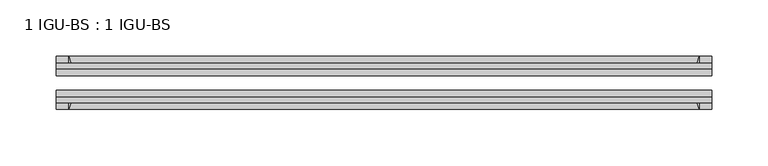
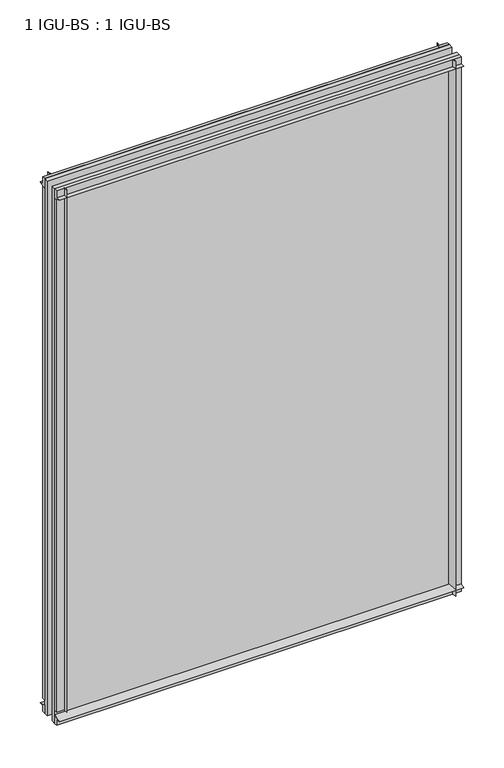
"""IFC4 building model written with IfcOpenShell, lengths in millimetres: plate geometry, 1 IGU-BS : 1 IGU-BS."""

from ifc_helpers import new_model, si_unit, point, frame, frame_2d, origin, origin_with_axes, place, context, project, spatial, polyline, circle_curve, trimmed, segment, composite_curve, outline, extrude, source, transform, mapped, element, save


def plate_1_igu_bs_1_igu_bs_e19e6f71(model_context):
    return source(origin(), model_context, "Body", "SweptSolid", [
        extrude(outline(composite_curve([segment(polyline([(-109.8637312, 800.9128), (-103.8947312, 800.9128), (-103.8947312, 812.0253), (-99.1195312, 812.0253), (-99.1195312, 797.0149095)]), True, "CONTINUOUS"), segment(trimmed(circle_curve(frame_2d((-115.4953516, 768.6330461)), 32.7673262), [point((-99.1195312, 797.0149095))], [point((-109.8637312, 800.9128))], True, "CARTESIAN"), True, "CONTINUOUS")], self_intersect=False)), frame((-290.5125, 0.0, 0.0), z_axis=(1.0, 0.0, 0.0), x_axis=(0.0, 1.0, 0.0)), (0.0, 0.0, 1.0), 581.025),
        extrude(outline(composite_curve([segment(polyline([(-73.7195312, 797.0149095), (-73.7195312, 812.0253), (-68.9443312, 812.0253), (-68.9443312, 800.9128), (-62.9753315, 800.9128)]), True, "CONTINUOUS"), segment(trimmed(circle_curve(frame_2d((-57.3437109, 768.6330461)), 32.7673262), [point((-62.9753315, 800.9128))], [point((-73.7195312, 797.0149095))], True, "CARTESIAN"), True, "CONTINUOUS")], self_intersect=False)), frame((-290.5125, 0.0, 0.0), z_axis=(1.0, 0.0, 0.0), x_axis=(0.0, 1.0, 0.0)), (0.0, 0.0, 1.0), 581.025),
        extrude(outline(composite_curve([segment(polyline([(-103.8947312, 0.0), (-103.8947312, 9.5265381), (-109.8637315, 9.5265381)]), True, "CONTINUOUS"), segment(trimmed(circle_curve(frame_2d((-115.5567965, 42.1919217)), 33.1577785), [point((-109.8637315, 9.5265381))], [point((-99.1195312, 13.3951409))], True, "CARTESIAN"), True, "CONTINUOUS"), segment(polyline([(-99.1195312, 13.3951409), (-99.1195312, 0.0), (-103.8947312, 0.0)]), True, "CONTINUOUS")], self_intersect=False)), frame((-290.5125, 0.0, 0.0), z_axis=(1.0, 0.0, 0.0), x_axis=(0.0, 1.0, 0.0)), (0.0, 0.0, 1.0), 581.025),
        extrude(outline(composite_curve([segment(polyline([(-68.9443312, 0.0), (-73.7195312, 0.0), (-73.7195312, 13.4228906)]), True, "CONTINUOUS"), segment(trimmed(circle_curve(frame_2d((-57.3437109, 41.804754)), 32.7673262), [point((-73.7195312, 13.4228906))], [point((-62.9841404, 9.5265381))], True, "CARTESIAN"), True, "CONTINUOUS"), segment(polyline([(-62.9841404, 9.5265381), (-68.9443312, 9.5265381), (-68.9443312, 0.0)]), True, "CONTINUOUS")], self_intersect=False)), frame((-290.5125, 0.0, 0.0), z_axis=(1.0, 0.0, 0.0), x_axis=(0.0, 1.0, 0.0)), (0.0, 0.0, 1.0), 581.025),
        extrude(outline(composite_curve([segment(polyline([(290.5125, -68.9443313), (290.5125, -73.7195313), (275.5021095, -73.7195313)]), True, "CONTINUOUS"), segment(trimmed(circle_curve(frame_2d((247.120246, -57.3437109)), 32.7673262), [point((275.5021095, -73.7195313))], [point((279.4, -62.9753313))], True, "CARTESIAN"), True, "CONTINUOUS"), segment(polyline([(279.4, -62.9753313), (279.4, -68.9443313), (290.5125, -68.9443313)]), True, "CONTINUOUS")], self_intersect=False)), origin_with_axes(), (0.0, 0.0, 1.0), 812.0253),
        extrude(outline(composite_curve([segment(polyline([(290.5125, -99.1195313), (290.5125, -103.8947312), (279.4, -103.8947312), (279.4, -109.8637312)]), True, "CONTINUOUS"), segment(trimmed(circle_curve(frame_2d((247.120246, -115.4953516)), 32.7673262), [point((279.4, -109.8637312))], [point((275.5021095, -99.1195313))], True, "CARTESIAN"), True, "CONTINUOUS"), segment(polyline([(275.5021095, -99.1195313), (290.5125, -99.1195313)]), True, "CONTINUOUS")], self_intersect=False)), origin_with_axes(), (0.0, 0.0, 1.0), 812.0253),
        extrude(outline(composite_curve([segment(polyline([(-290.5125, -68.9443313), (-279.4, -68.9443313), (-279.4, -62.9753312)]), True, "CONTINUOUS"), segment(trimmed(circle_curve(frame_2d((-247.120246, -57.3437109)), 32.7673262), [point((-279.4, -62.9753312))], [point((-275.5021095, -73.7195313))], True, "CARTESIAN"), True, "CONTINUOUS"), segment(polyline([(-275.5021095, -73.7195313), (-290.5125, -73.7195313), (-290.5125, -68.9443313)]), True, "CONTINUOUS")], self_intersect=False)), frame((0.0, 0.0, 19.8437501), z_axis=(0.0, 0.0, 1.0), x_axis=(1.0, 0.0, 0.0)), (0.0, 0.0, 1.0), 792.1815499),
        extrude(outline(composite_curve([segment(polyline([(-290.5125, -103.8947312), (-290.5125, -99.1195313), (-275.5021095, -99.1195313)]), True, "CONTINUOUS"), segment(trimmed(circle_curve(frame_2d((-247.120246, -115.4953516)), 32.7673262), [point((-275.5021095, -99.1195313))], [point((-279.4, -109.8637313))], True, "CARTESIAN"), True, "CONTINUOUS"), segment(polyline([(-279.4, -109.8637313), (-279.4, -103.8947312), (-290.5125, -103.8947312)]), True, "CONTINUOUS")], self_intersect=False)), frame((0.0, 0.0, 19.8437501), z_axis=(0.0, 0.0, 1.0), x_axis=(1.0, 0.0, 0.0)), (0.0, 0.0, 1.0), 792.1815499),
        extrude(outline(polyline([(-290.5125, -99.1195313), (-290.5125, -92.8203313), (290.5125, -92.8203313), (290.5125, -99.1195313), (-290.5125, -99.1195313)])), origin_with_axes(), (0.0, 0.0, 1.0), 812.0253),
        extrude(outline(polyline([(290.5125, -80.0187313), (-290.5125, -80.0187313), (-290.5125, -73.7195313), (290.5125, -73.7195313), (290.5125, -80.0187313)])), origin_with_axes(), (0.0, 0.0, 1.0), 812.0253),
    ])


if __name__ == "__main__":
    model = new_model("IFC4")
    model_context = context("Model", 3, world=origin())
    ifc_project = project(units=[si_unit("LENGTHUNIT", "METRE", prefix="MILLI")], contexts=[model_context])
    site = spatial("IfcSite", under=ifc_project)
    building = spatial("IfcBuilding", under=site)
    placement = place(None, origin())
    plate_1_igu_bs_1_igu_bs_shape = plate_1_igu_bs_1_igu_bs_e19e6f71(model_context)
    element("IfcPlate", 1, ObjectType="1 IGU-BS : 1 IGU-BS", at=placement, inside=building, context=model_context, shape_type="MappedRepresentation", body=[
        mapped(plate_1_igu_bs_1_igu_bs_shape, transform((0.0, 0.0, 0.0), x_axis=(1.0, 0.0, 0.0), y_axis=(0.0, 1.0, 0.0), z_axis=(0.0, 0.0, 1.0))),
    ])
    save(model, "model.ifc")
